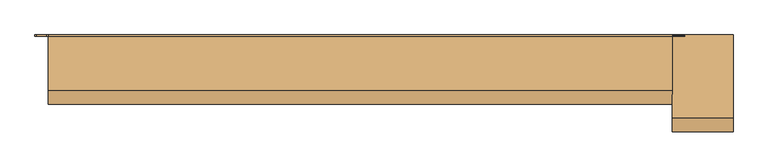
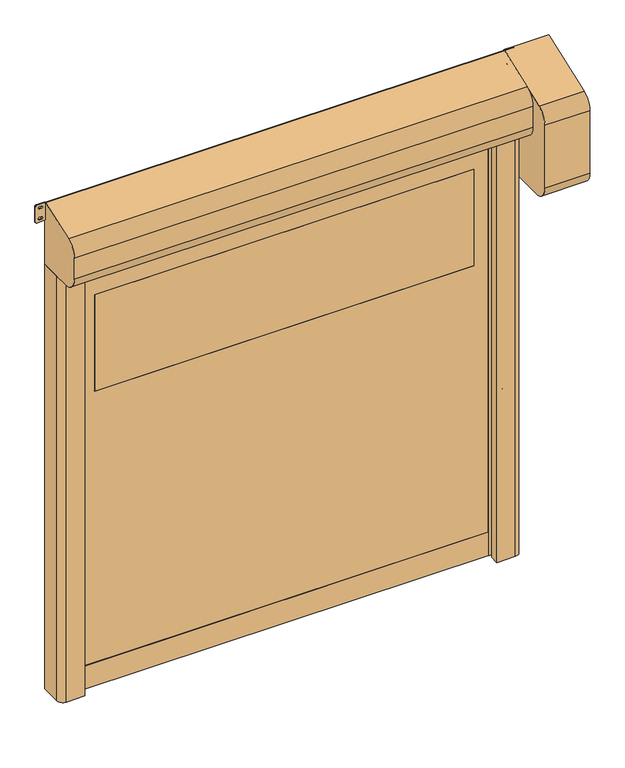
"""IFC4 building model written with IfcOpenShell, lengths in millimetres: door geometry."""

from ifc_helpers import new_model, si_unit, point, frame, frame_2d, origin, origin_with_axes, place, context, project, spatial, polyline, circle_curve, trimmed, segment, composite_curve, outline, extrude, source, transform, mapped, element, save


def door_dcf74658(model_context):
    return source(origin(), model_context, "Body", "SweptSolid", [
        extrude(outline(composite_curve([segment(trimmed(circle_curve(frame_2d((1416.6666667, 1084.5)), 6.0), [point((1422.6666667, 1084.5))], [point((1410.6666667, 1084.5))], False, "CARTESIAN"), True, "CONTINUOUS"), segment(polyline([(1410.6666667, 1084.5), (1410.6666667, 1102.5)]), True, "CONTINUOUS"), segment(trimmed(circle_curve(frame_2d((1416.6666667, 1102.5)), 6.0), [point((1410.6666667, 1102.5))], [point((1422.6666667, 1102.5))], False, "CARTESIAN"), True, "CONTINUOUS"), segment(polyline([(1422.6666667, 1102.5), (1422.6666667, 1084.5)]), True, "CONTINUOUS")], self_intersect=False)), frame((0.0, -20.0, 0.0), z_axis=(0.0, 1.0, 0.0), x_axis=(0.0, 0.0, 1.0)), (0.0, 0.0, 1.0), 20.0),
        extrude(outline(composite_curve([segment(trimmed(circle_curve(frame_2d((783.3333333, 1084.5)), 6.0), [point((789.3333333, 1084.5))], [point((777.3333333, 1084.5))], False, "CARTESIAN"), True, "CONTINUOUS"), segment(polyline([(777.3333333, 1084.5), (777.3333333, 1102.5)]), True, "CONTINUOUS"), segment(trimmed(circle_curve(frame_2d((783.3333333, 1102.5)), 6.0), [point((777.3333333, 1102.5))], [point((789.3333333, 1102.5))], False, "CARTESIAN"), True, "CONTINUOUS"), segment(polyline([(789.3333333, 1102.5), (789.3333333, 1084.5)]), True, "CONTINUOUS")], self_intersect=False)), frame((0.0, -20.0, 0.0), z_axis=(0.0, 1.0, 0.0), x_axis=(0.0, 0.0, 1.0)), (0.0, 0.0, 1.0), 20.0),
        extrude(outline(composite_curve([segment(trimmed(circle_curve(frame_2d((2050.0, 1084.5)), 6.0), [point((2056.0, 1084.5))], [point((2044.0, 1084.5))], False, "CARTESIAN"), True, "CONTINUOUS"), segment(polyline([(2044.0, 1084.5), (2044.0, 1102.5)]), True, "CONTINUOUS"), segment(trimmed(circle_curve(frame_2d((2050.0, 1102.5)), 6.0), [point((2044.0, 1102.5))], [point((2056.0, 1102.5))], False, "CARTESIAN"), True, "CONTINUOUS"), segment(polyline([(2056.0, 1102.5), (2056.0, 1084.5)]), True, "CONTINUOUS")], self_intersect=False)), frame((0.0, -20.0, 0.0), z_axis=(0.0, 1.0, 0.0), x_axis=(0.0, 0.0, 1.0)), (0.0, 0.0, 1.0), 20.0),
        extrude(outline(composite_curve([segment(trimmed(circle_curve(frame_2d((150.0, 1084.5)), 6.0), [point((156.0, 1084.5))], [point((144.0, 1084.5))], False, "CARTESIAN"), True, "CONTINUOUS"), segment(polyline([(144.0, 1084.5), (144.0, 1102.5)]), True, "CONTINUOUS"), segment(trimmed(circle_curve(frame_2d((150.0, 1102.5)), 6.0), [point((144.0, 1102.5))], [point((156.0, 1102.5))], False, "CARTESIAN"), True, "CONTINUOUS"), segment(polyline([(156.0, 1102.5), (156.0, 1084.5)]), True, "CONTINUOUS")], self_intersect=False)), frame((0.0, -20.0, 0.0), z_axis=(0.0, 1.0, 0.0), x_axis=(0.0, 0.0, 1.0)), (0.0, 0.0, 1.0), 20.0),
        extrude(outline(composite_curve([segment(polyline([(1422.6666667, -1084.5), (1422.6666667, -1102.5)]), True, "CONTINUOUS"), segment(trimmed(circle_curve(frame_2d((1416.6666667, -1102.5)), 6.0), [point((1422.6666667, -1102.5))], [point((1410.6666667, -1102.5))], False, "CARTESIAN"), True, "CONTINUOUS"), segment(polyline([(1410.6666667, -1102.5), (1410.6666667, -1084.5)]), True, "CONTINUOUS"), segment(trimmed(circle_curve(frame_2d((1416.6666667, -1084.5)), 6.0), [point((1410.6666667, -1084.5))], [point((1422.6666667, -1084.5))], False, "CARTESIAN"), True, "CONTINUOUS")], self_intersect=False)), frame((0.0, -20.0, 0.0), z_axis=(0.0, 1.0, 0.0), x_axis=(0.0, 0.0, 1.0)), (0.0, 0.0, 1.0), 20.0),
        extrude(outline(composite_curve([segment(polyline([(789.3333333, -1084.5), (789.3333333, -1102.5)]), True, "CONTINUOUS"), segment(trimmed(circle_curve(frame_2d((783.3333333, -1102.5)), 6.0), [point((789.3333333, -1102.5))], [point((777.3333333, -1102.5))], False, "CARTESIAN"), True, "CONTINUOUS"), segment(polyline([(777.3333333, -1102.5), (777.3333333, -1084.5)]), True, "CONTINUOUS"), segment(trimmed(circle_curve(frame_2d((783.3333333, -1084.5)), 6.0), [point((777.3333333, -1084.5))], [point((789.3333333, -1084.5))], False, "CARTESIAN"), True, "CONTINUOUS")], self_intersect=False)), frame((0.0, -20.0, 0.0), z_axis=(0.0, 1.0, 0.0), x_axis=(0.0, 0.0, 1.0)), (0.0, 0.0, 1.0), 20.0),
        extrude(outline(composite_curve([segment(polyline([(2056.0, -1084.5), (2056.0, -1102.5)]), True, "CONTINUOUS"), segment(trimmed(circle_curve(frame_2d((2050.0, -1102.5)), 6.0), [point((2056.0, -1102.5))], [point((2044.0, -1102.5))], False, "CARTESIAN"), True, "CONTINUOUS"), segment(polyline([(2044.0, -1102.5), (2044.0, -1084.5)]), True, "CONTINUOUS"), segment(trimmed(circle_curve(frame_2d((2050.0, -1084.5)), 6.0), [point((2044.0, -1084.5))], [point((2056.0, -1084.5))], False, "CARTESIAN"), True, "CONTINUOUS")], self_intersect=False)), frame((0.0, -20.0, 0.0), z_axis=(0.0, 1.0, 0.0), x_axis=(0.0, 0.0, 1.0)), (0.0, 0.0, 1.0), 20.0),
        extrude(outline(composite_curve([segment(polyline([(156.0, -1084.5), (156.0, -1102.5)]), True, "CONTINUOUS"), segment(trimmed(circle_curve(frame_2d((150.0, -1102.5)), 6.0), [point((156.0, -1102.5))], [point((144.0, -1102.5))], False, "CARTESIAN"), True, "CONTINUOUS"), segment(polyline([(144.0, -1102.5), (144.0, -1084.5)]), True, "CONTINUOUS"), segment(trimmed(circle_curve(frame_2d((150.0, -1084.5)), 6.0), [point((144.0, -1084.5))], [point((156.0, -1084.5))], False, "CARTESIAN"), True, "CONTINUOUS")], self_intersect=False)), frame((0.0, -20.0, 0.0), z_axis=(0.0, 1.0, 0.0), x_axis=(0.0, 0.0, 1.0)), (0.0, 0.0, 1.0), 20.0),
        extrude(outline(composite_curve([segment(trimmed(circle_curve(frame_2d((1526.0, 929.0)), 1.0), [point((1525.0, 929.0))], [point((1526.0, 930.0))], False, "CARTESIAN"), True, "CONTINUOUS"), segment(polyline([(1526.0, 930.0), (2024.0, 930.0)]), True, "CONTINUOUS"), segment(trimmed(circle_curve(frame_2d((2024.0, 929.0)), 1.0), [point((2024.0, 930.0))], [point((2025.0, 929.0))], False, "CARTESIAN"), True, "CONTINUOUS"), segment(polyline([(2025.0, 929.0), (2025.0, -929.0)]), True, "CONTINUOUS"), segment(trimmed(circle_curve(frame_2d((2024.0, -929.0)), 1.0), [point((2025.0, -929.0))], [point((2024.0, -930.0))], False, "CARTESIAN"), True, "CONTINUOUS"), segment(polyline([(2024.0, -930.0), (1526.0, -930.0)]), True, "CONTINUOUS"), segment(trimmed(circle_curve(frame_2d((1526.0, -929.0)), 1.0), [point((1526.0, -930.0))], [point((1525.0, -929.0))], False, "CARTESIAN"), True, "CONTINUOUS"), segment(polyline([(1525.0, -929.0), (1525.0, 929.0)]), True, "CONTINUOUS")], self_intersect=False)), frame((0.0, -83.5, 0.0), z_axis=(0.0, 1.0, 0.0), x_axis=(0.0, 0.0, 1.0)), (0.0, 0.0, 1.0), 7.0),
        extrude(outline(polyline([(120.0, -1012.0), (120.0, 1012.0), (2362.5, 1012.0), (2362.5, -1012.0), (120.0, -1012.0)]), holes=[composite_curve([segment(trimmed(circle_curve(frame_2d((1526.0, 929.0)), 1.0), [point((1526.0, 930.0))], [point((1525.0, 929.0))], True, "CARTESIAN"), True, "CONTINUOUS"), segment(polyline([(1525.0, 929.0), (1525.0, -929.0)]), True, "CONTINUOUS"), segment(trimmed(circle_curve(frame_2d((1526.0, -929.0)), 1.0), [point((1525.0, -929.0))], [point((1526.0, -930.0))], True, "CARTESIAN"), True, "CONTINUOUS"), segment(polyline([(1526.0, -930.0), (2024.0, -930.0)]), True, "CONTINUOUS"), segment(trimmed(circle_curve(frame_2d((2024.0, -929.0)), 1.0), [point((2024.0, -930.0))], [point((2025.0, -929.0))], True, "CARTESIAN"), True, "CONTINUOUS"), segment(polyline([(2025.0, -929.0), (2025.0, 929.0)]), True, "CONTINUOUS"), segment(trimmed(circle_curve(frame_2d((2024.0, 929.0)), 1.0), [point((2025.0, 929.0))], [point((2024.0, 930.0))], True, "CARTESIAN"), True, "CONTINUOUS"), segment(polyline([(2024.0, 930.0), (1526.0, 930.0)]), True, "CONTINUOUS")], self_intersect=False)]), frame((0.0, -83.5, 0.0), z_axis=(0.0, 1.0, 0.0), x_axis=(0.0, 0.0, 1.0)), (0.0, 0.0, 1.0), 7.0),
        extrude(outline(polyline([(-1012.0, -74.5), (1012.0, -74.5), (1012.0, -85.5), (-1012.0, -85.5), (-1012.0, -74.5)])), origin_with_axes(), (0.0, 0.0, 1.0), 120.0),
        extrude(outline(composite_curve([segment(polyline([(-1125.0, 0.0), (-1015.0, 0.0), (-1015.0, -64.2857143), (-1035.0, -70.0), (-1000.0, -70.0), (-1000.0, -76.5), (-1020.0, -76.5), (-1020.0, -83.5), (-1000.0, -83.5), (-1000.0, -90.0), (-1035.0, -90.0), (-1035.0, -105.0), (-1005.0, -105.0), (-1005.0, -130.0), (-1095.0, -130.0)]), True, "CONTINUOUS"), segment(trimmed(circle_curve(frame_2d((-1095.0, -100.0)), 30.0), [point((-1095.0, -130.0))], [point((-1125.0, -100.0))], False, "CARTESIAN"), True, "CONTINUOUS"), segment(polyline([(-1125.0, -100.0), (-1125.0, 0.0)]), True, "CONTINUOUS")], self_intersect=False)), origin_with_axes(), (0.0, 0.0, 1.0), 2200.0),
        extrude(outline(composite_curve([segment(polyline([(1125.0, 0.0), (1125.0, -120.0)]), True, "CONTINUOUS"), segment(trimmed(circle_curve(frame_2d((1095.0, -120.0)), 30.0), [point((1125.0, -120.0))], [point((1095.0, -150.0))], False, "CARTESIAN"), True, "CONTINUOUS"), segment(polyline([(1095.0, -150.0), (1005.0, -150.0), (1005.0, -105.0), (1035.0, -105.0), (1035.0, -90.0), (1000.0, -90.0), (1000.0, -83.5), (1020.0, -83.5), (1020.0, -76.5), (1000.0, -76.5), (1000.0, -70.0), (1035.0, -70.0), (1015.0, -64.2857143), (1015.0, 0.0), (1125.0, 0.0)]), True, "CONTINUOUS")], self_intersect=False)), origin_with_axes(), (0.0, 0.0, 1.0), 2200.0),
        extrude(outline(composite_curve([segment(polyline([(0.0, 2525.0), (0.0, 1945.0), (-275.0, 1945.0)]), True, "CONTINUOUS"), segment(trimmed(circle_curve(frame_2d((-275.0, 2020.0)), 75.0), [point((-275.0, 1945.0))], [point((-350.0, 2020.0))], False, "CARTESIAN"), True, "CONTINUOUS"), segment(polyline([(-350.0, 2020.0), (-350.0, 2345.0948526)]), True, "CONTINUOUS"), segment(trimmed(circle_curve(frame_2d((-275.0, 2345.0948526)), 75.0), [point((-350.0, 2345.0948526))], [point((-300.6515107, 2415.5717992))], False, "CARTESIAN"), True, "CONTINUOUS"), segment(polyline([(-300.6515107, 2415.5717992), (0.0, 2525.0)]), True, "CONTINUOUS")], self_intersect=False)), frame((1125.0, 0.0, 0.0), z_axis=(1.0, 0.0, 0.0), x_axis=(0.0, 1.0, 0.0)), (0.0, 0.0, 1.0), 220.0),
        extrude(outline(composite_curve([segment(trimmed(circle_curve(frame_2d((-5.0, 2205.0)), 5.0), [point((0.0, 2205.0))], [point((-5.0, 2200.0))], False, "CARTESIAN"), True, "CONTINUOUS"), segment(polyline([(-5.0, 2200.0), (-175.0, 2200.0)]), True, "CONTINUOUS"), segment(trimmed(circle_curve(frame_2d((-175.0, 2275.0)), 75.0), [point((-175.0, 2200.0))], [point((-250.0, 2275.0))], False, "CARTESIAN"), True, "CONTINUOUS"), segment(polyline([(-250.0, 2275.0), (-250.0, 2383.934153)]), True, "CONTINUOUS"), segment(trimmed(circle_curve(frame_2d((-175.0, 2383.934153)), 75.0), [point((-250.0, 2383.934153))], [point((-200.6515107, 2454.4110996))], False, "CARTESIAN"), True, "CONTINUOUS"), segment(polyline([(-200.6515107, 2454.4110996), (-6.7101007, 2525.0)]), True, "CONTINUOUS"), segment(trimmed(circle_curve(frame_2d((-5.0, 2520.3015369)), 5.0), [point((-6.7101007, 2525.0))], [point((0.0, 2520.3015369))], False, "CARTESIAN"), True, "CONTINUOUS"), segment(polyline([(0.0, 2520.3015369), (0.0, 2205.0)]), True, "CONTINUOUS")], self_intersect=False)), frame((-1125.0, 0.0, 0.0), z_axis=(1.0, 0.0, 0.0), x_axis=(0.0, 1.0, 0.0)), (0.0, 0.0, 1.0), 2250.0),
        extrude(outline(composite_curve([segment(trimmed(circle_curve(frame_2d((2438.75, 1130.75)), 5.75), [point((2438.75, 1125.0))], [point((2433.0, 1130.75))], False, "CARTESIAN"), True, "CONTINUOUS"), segment(polyline([(2433.0, 1130.75), (2433.0, 1168.25)]), True, "CONTINUOUS"), segment(trimmed(circle_curve(frame_2d((2438.75, 1168.25)), 5.75), [point((2433.0, 1168.25))], [point((2438.75, 1174.0))], False, "CARTESIAN"), True, "CONTINUOUS"), segment(polyline([(2438.75, 1174.0), (2519.25, 1174.0)]), True, "CONTINUOUS"), segment(trimmed(circle_curve(frame_2d((2519.25, 1168.25)), 5.75), [point((2519.25, 1174.0))], [point((2525.0, 1168.25))], False, "CARTESIAN"), True, "CONTINUOUS"), segment(polyline([(2525.0, 1168.25), (2525.0, 1130.75)]), True, "CONTINUOUS"), segment(trimmed(circle_curve(frame_2d((2519.25, 1130.75)), 5.75), [point((2525.0, 1130.75))], [point((2519.25, 1125.0))], False, "CARTESIAN"), True, "CONTINUOUS"), segment(polyline([(2519.25, 1125.0), (2438.75, 1125.0)]), True, "CONTINUOUS")], self_intersect=False), holes=[composite_curve([segment(trimmed(circle_curve(frame_2d((2451.5, 1153.75)), 5.75), [point((2457.25, 1153.75))], [point((2445.75, 1153.75))], True, "CARTESIAN"), True, "CONTINUOUS"), segment(polyline([(2445.75, 1153.75), (2445.75, 1145.25)]), True, "CONTINUOUS"), segment(trimmed(circle_curve(frame_2d((2451.5, 1145.25)), 5.75), [point((2445.75, 1145.25))], [point((2457.25, 1145.25))], True, "CARTESIAN"), True, "CONTINUOUS"), segment(polyline([(2457.25, 1145.25), (2457.25, 1153.75)]), True, "CONTINUOUS")], self_intersect=False), composite_curve([segment(trimmed(circle_curve(frame_2d((2506.5, 1153.75)), 5.75), [point((2512.25, 1153.75))], [point((2500.75, 1153.75))], True, "CARTESIAN"), True, "CONTINUOUS"), segment(polyline([(2500.75, 1153.75), (2500.75, 1145.25)]), True, "CONTINUOUS"), segment(trimmed(circle_curve(frame_2d((2506.5, 1145.25)), 5.75), [point((2500.75, 1145.25))], [point((2512.25, 1145.25))], True, "CARTESIAN"), True, "CONTINUOUS"), segment(polyline([(2512.25, 1145.25), (2512.25, 1153.75)]), True, "CONTINUOUS")], self_intersect=False)]), frame((0.0, -5.0, 0.0), z_axis=(0.0, 1.0, 0.0), x_axis=(0.0, 0.0, 1.0)), (0.0, 0.0, 1.0), 5.0),
        extrude(outline(composite_curve([segment(trimmed(circle_curve(frame_2d((2438.75, -1168.25)), 5.75), [point((2438.75, -1174.0))], [point((2433.0, -1168.25))], False, "CARTESIAN"), True, "CONTINUOUS"), segment(polyline([(2433.0, -1168.25), (2433.0, -1130.75)]), True, "CONTINUOUS"), segment(trimmed(circle_curve(frame_2d((2438.75, -1130.75)), 5.75), [point((2433.0, -1130.75))], [point((2438.75, -1125.0))], False, "CARTESIAN"), True, "CONTINUOUS"), segment(polyline([(2438.75, -1125.0), (2519.25, -1125.0)]), True, "CONTINUOUS"), segment(trimmed(circle_curve(frame_2d((2519.25, -1130.75)), 5.75), [point((2519.25, -1125.0))], [point((2525.0, -1130.75))], False, "CARTESIAN"), True, "CONTINUOUS"), segment(polyline([(2525.0, -1130.75), (2525.0, -1168.25)]), True, "CONTINUOUS"), segment(trimmed(circle_curve(frame_2d((2519.25, -1168.25)), 5.75), [point((2525.0, -1168.25))], [point((2519.25, -1174.0))], False, "CARTESIAN"), True, "CONTINUOUS"), segment(polyline([(2519.25, -1174.0), (2438.75, -1174.0)]), True, "CONTINUOUS")], self_intersect=False), holes=[composite_curve([segment(trimmed(circle_curve(frame_2d((2451.5, -1145.25)), 5.75), [point((2457.25, -1145.25))], [point((2445.75, -1145.25))], True, "CARTESIAN"), True, "CONTINUOUS"), segment(polyline([(2445.75, -1145.25), (2445.75, -1153.75)]), True, "CONTINUOUS"), segment(trimmed(circle_curve(frame_2d((2451.5, -1153.75)), 5.75), [point((2445.75, -1153.75))], [point((2457.25, -1153.75))], True, "CARTESIAN"), True, "CONTINUOUS"), segment(polyline([(2457.25, -1153.75), (2457.25, -1145.25)]), True, "CONTINUOUS")], self_intersect=False), composite_curve([segment(trimmed(circle_curve(frame_2d((2506.5, -1145.25)), 5.75), [point((2512.25, -1145.25))], [point((2500.75, -1145.25))], True, "CARTESIAN"), True, "CONTINUOUS"), segment(polyline([(2500.75, -1145.25), (2500.75, -1153.75)]), True, "CONTINUOUS"), segment(trimmed(circle_curve(frame_2d((2506.5, -1153.75)), 5.75), [point((2500.75, -1153.75))], [point((2512.25, -1153.75))], True, "CARTESIAN"), True, "CONTINUOUS"), segment(polyline([(2512.25, -1153.75), (2512.25, -1145.25)]), True, "CONTINUOUS")], self_intersect=False)]), frame((0.0, -5.0, 0.0), z_axis=(0.0, 1.0, 0.0), x_axis=(0.0, 0.0, 1.0)), (0.0, 0.0, 1.0), 5.0),
    ])


if __name__ == "__main__":
    model = new_model("IFC4")
    model_context = context("Model", 3, world=origin())
    ifc_project = project(units=[si_unit("LENGTHUNIT", "METRE", prefix="MILLI")], contexts=[model_context])
    site = spatial("IfcSite", under=ifc_project)
    building = spatial("IfcBuilding", under=site)
    placement = place(None, origin())
    door_shape = door_dcf74658(model_context)
    element("IfcDoor", 1, at=placement, inside=building, context=model_context, shape_type="MappedRepresentation", body=[
        mapped(door_shape, transform((0.0, 0.0, 0.0), x_axis=(1.0, 0.0, 0.0), y_axis=(0.0, 1.0, 0.0), z_axis=(0.0, 0.0, 1.0))),
    ])
    save(model, "model.ifc")
